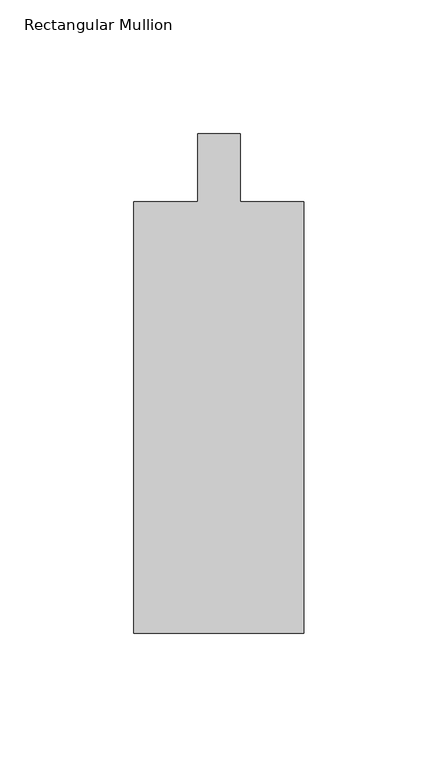
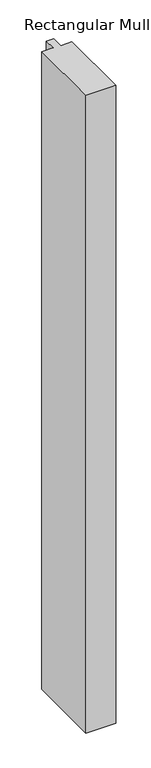
"""IFC4 building model written with IfcOpenShell, lengths in millimetres: member geometry, Rectangular Mullion."""

from ifc_helpers import new_model, si_unit, frame, origin, place, context, project, spatial, polyline, outline, extrude, source, transform, mapped, element, save


def rectangular_mullion_8833690a(model_context):
    return source(origin(), model_context, "Body", "SweptSolid", [
        extrude(outline(polyline([(-31.75, -173.83125), (-31.75, -12.7), (-7.9375, -12.7), (-7.9375, 12.7), (7.9375, 12.7), (7.9375, -12.7), (31.75, -12.7), (31.75, -173.83125), (-31.75, -173.83125)])), frame((0.0, 0.0, -1428.75), z_axis=(0.0, 0.0, 1.0), x_axis=(1.0, 0.0, 0.0)), (0.0, 0.0, 1.0), 1428.75),
    ])


if __name__ == "__main__":
    model = new_model("IFC4")
    model_context = context("Model", 3, world=origin())
    ifc_project = project(units=[si_unit("LENGTHUNIT", "METRE", prefix="MILLI")], contexts=[model_context])
    site = spatial("IfcSite", under=ifc_project)
    building = spatial("IfcBuilding", under=site)
    placement = place(None, origin())
    rectangular_mullion_shape = rectangular_mullion_8833690a(model_context)
    element("IfcMember", 1, ObjectType="Rectangular Mullion", at=placement, inside=building, context=model_context, shape_type="MappedRepresentation", body=[
        mapped(rectangular_mullion_shape, transform((0.0, 0.0, 0.0), x_axis=(1.0, 0.0, 0.0), y_axis=(0.0, 1.0, 0.0), z_axis=(0.0, 0.0, 1.0))),
    ])
    save(model, "model.ifc")
